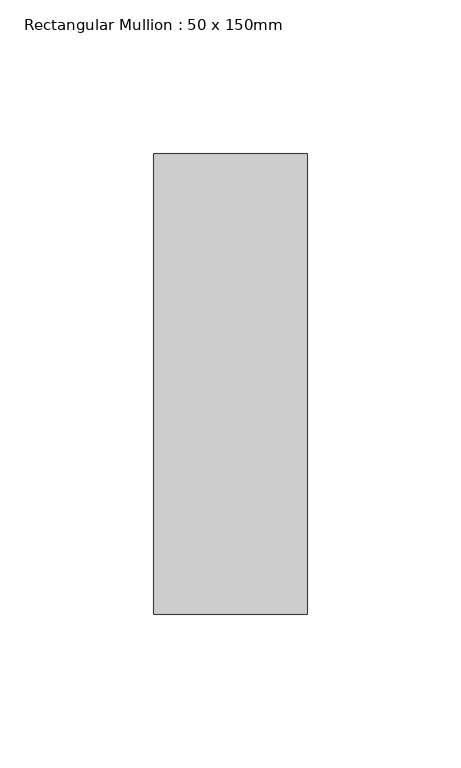
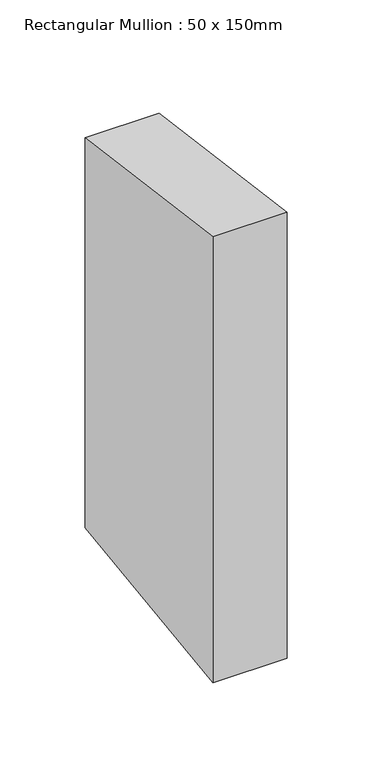
"""IFC4 building model written with IfcOpenShell, lengths in millimetres: member geometry, Rectangular Mullion : 50 x 150mm."""

from ifc_helpers import new_model, si_unit, frame, origin, place, context, project, spatial, polyline, outline, extrude, source, transform, mapped, element, save


def rectangular_mullion_50_x_150mm_426ca86e(model_context):
    return source(origin(), model_context, "Body", "SweptSolid", [
        extrude(outline(polyline([(-75.0, 10.0113637), (75.0, -10.0113637), (75.0, -289.1428371), (-75.0, -309.1655646), (-75.0, 10.0113637)])), frame((-50.0, 0.0, 0.0), z_axis=(1.0, 0.0, 0.0), x_axis=(0.0, 1.0, 0.0)), (0.0, 0.0, 1.0), 50.0),
    ])


if __name__ == "__main__":
    model = new_model("IFC4")
    model_context = context("Model", 3, world=origin())
    ifc_project = project(units=[si_unit("LENGTHUNIT", "METRE", prefix="MILLI")], contexts=[model_context])
    site = spatial("IfcSite", under=ifc_project)
    building = spatial("IfcBuilding", under=site)
    placement = place(None, origin())
    rectangular_mullion_50_x_150mm_shape = rectangular_mullion_50_x_150mm_426ca86e(model_context)
    element("IfcMember", 1, ObjectType="Rectangular Mullion : 50 x 150mm", at=placement, inside=building, context=model_context, shape_type="MappedRepresentation", body=[
        mapped(rectangular_mullion_50_x_150mm_shape, transform((0.0, 0.0, 0.0), x_axis=(1.0, 0.0, 0.0), y_axis=(0.0, 1.0, 0.0), z_axis=(0.0, 0.0, 1.0))),
    ])
    save(model, "model.ifc")
